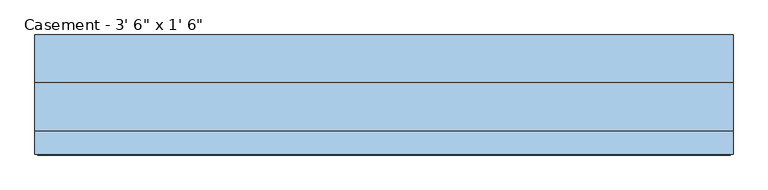
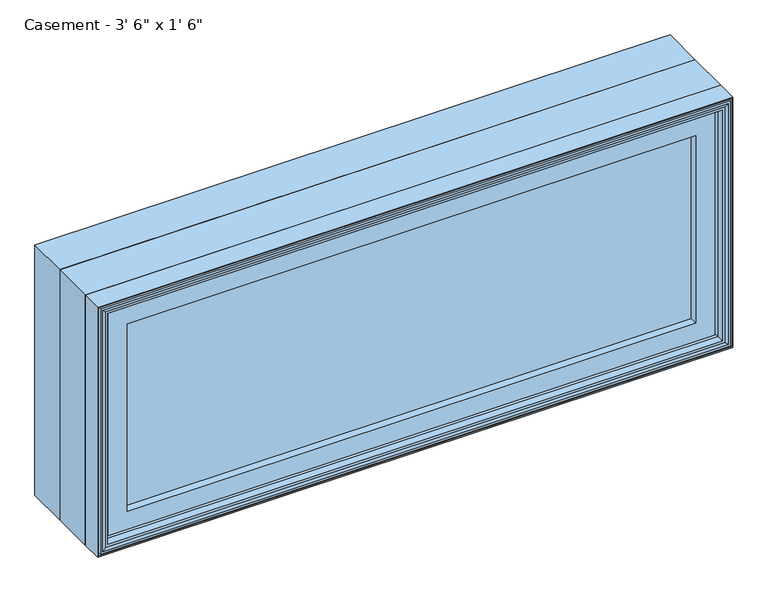
"""IFC4 building model written with IfcOpenShell, lengths in millimetres: window geometry."""

from ifc_helpers import new_model, si_unit, frame, origin, place, context, project, spatial, polyline, outline, extrude, faceted_brep, source, transform, mapped, element, save


def window_d5ca123c(model_context):
    return source(origin(), model_context, "Body", "SolidModel", [
        extrude(outline(polyline([(557.609375, -74.0770729), (557.609375, -91.5395729), (-557.5849783, -91.5395729), (-557.5849783, -74.0770729), (557.609375, -74.0770729)])), frame((0.0, 0.0, 971.5119), z_axis=(0.0, 0.0, 1.0), x_axis=(1.0, 0.0, 0.0)), (0.0, 0.0, 1.0), 393.7762),
        extrude(outline(polyline([(1422.4, -609.6), (914.4, -609.6), (914.4, 609.6), (1422.4, 609.6), (1422.4, -609.6)]), holes=[polyline([(930.275, -593.725), (1406.525, -593.725), (1406.525, 593.725), (930.275, 593.725), (930.275, -593.725)])]), frame((0.0, 6.1515625, 0.0), z_axis=(0.0, 1.0, 0.0), x_axis=(0.0, 0.0, 1.0)), (0.0, 0.0, 1.0), 82.7484375),
        faceted_brep([(-557.5849783, -74.0770729, 966.4150217), (-557.5849783, -74.0770729, 1370.3849783), (-557.5849783, -91.5395729, 1370.3849783), (-557.5849783, -91.5395729, 966.4150217), (-545.9015625, -72.8793953, 978.0984375), (-545.9015625, -72.8793953, 1358.7015625), (-545.9015625, -74.0770729, 1358.7015625), (-545.9015625, -74.0770729, 978.0984375), (-548.6498111, -59.9499024, 975.3501889), (-548.6498111, -59.9499024, 1361.4498111), (-576.6341084, -91.5395729, 947.3658916), (-576.6341084, -91.5395729, 1389.4341084), (-576.6341084, -59.9499024, 1389.4341084), (-576.6341084, -59.9499024, 947.3658916), (557.5849783, -74.0770729, 1370.3849783), (557.5849783, -91.5395729, 1370.3849783), (545.9015625, -72.8793953, 1358.7015625), (545.9015625, -74.0770729, 1358.7015625), (548.6498111, -59.9499024, 1361.4498111), (576.6341084, -91.5395729, 1389.4341084), (576.6341084, -59.9499024, 1389.4341084), (557.5849783, -74.0770729, 966.4150217), (557.5849783, -91.5395729, 966.4150217), (545.9015625, -72.8793953, 978.0984375), (545.9015625, -74.0770729, 978.0984375), (548.6498111, -59.9499024, 975.3501889), (576.6341084, -91.5395729, 947.3658916), (576.6341084, -59.9499024, 947.3658916)], [[[0, 1, 2, 3]], [[4, 5, 6, 7]], [[8, 9, 5, 4]], [[10, 11, 12, 13]], [[1, 14, 15, 2]], [[5, 16, 17, 6]], [[9, 18, 16, 5]], [[11, 19, 20, 12]], [[14, 21, 22, 15]], [[16, 23, 24, 17]], [[18, 25, 23, 16]], [[19, 26, 27, 20]], [[11, 10, 26, 19], [3, 2, 15, 22]], [[21, 0, 3, 22]], [[1, 0, 21, 14], [7, 6, 17, 24]], [[23, 4, 7, 24]], [[25, 8, 4, 23]], [[13, 12, 20, 27], [9, 8, 25, 18]], [[26, 10, 13, 27]]]),
        extrude(outline(polyline([(1395.5033048, -582.7033048), (941.2966952, -582.7033048), (941.2966952, 582.7033048), (1395.5033048, 582.7033048), (1395.5033048, -582.7033048)]), holes=[polyline([(978.0984375, -545.9015625), (1358.7015625, -545.9015625), (1358.7015625, 545.9015625), (978.0984375, 545.9015625), (978.0984375, -545.9015625)])]), frame((0.0, -106.9883505, 0.0), z_axis=(0.0, 1.0, 0.0), x_axis=(0.0, 0.0, 1.0)), (0.0, 0.0, 1.0), 15.4487776),
        faceted_brep([(-595.0220166, -119.2736375, 928.9779834), (-595.0220166, -119.2736375, 1407.8220166), (-600.355345, -120.8484375, 1413.155345), (-600.355345, -120.8484375, 923.644655), (-590.1526868, -104.4927591, 933.8473132), (-590.1526868, -104.4927591, 1402.9526868), (-590.1526868, -119.2736375, 1402.9526868), (-590.1526868, -119.2736375, 933.8473132), (-588.9244, -90.3195591, 935.0756), (-588.9244, -90.3195591, 1401.7244), (-588.9244, -79.171779, 935.0756), (-588.9244, -79.171779, 1401.7244), (-609.6, -119.6932773, 914.4), (-609.6, -119.6932773, 1422.4), (-609.6, -79.171779, 1422.4), (-609.6, -79.171779, 914.4), (-607.314, -111.1241649, 916.686), (-607.314, -111.1241649, 1420.114), (-607.314, -119.6932773, 1420.114), (-607.314, -119.6932773, 916.686), (-604.5962, -120.8484375, 919.4038), (-604.5962, -120.8484375, 1417.3962), (-604.5962, -111.1241649, 1417.3962), (-604.5962, -111.1241649, 919.4038), (595.0220166, -119.2736375, 1407.8220166), (600.355345, -120.8484375, 1413.155345), (590.1526868, -104.4927591, 1402.9526868), (590.1526868, -119.2736375, 1402.9526868), (588.9244, -90.3195591, 1401.7244), (588.9244, -79.171779, 1401.7244), (609.6, -119.6932773, 1422.4), (609.6, -79.171779, 1422.4), (607.314, -111.1241649, 1420.114), (607.314, -119.6932773, 1420.114), (604.5962, -120.8484375, 1417.3962), (604.5962, -111.1241649, 1417.3962), (595.0220166, -119.2736375, 928.9779834), (600.355345, -120.8484375, 923.644655), (590.1526868, -104.4927591, 933.8473132), (590.1526868, -119.2736375, 933.8473132), (588.9244, -90.3195591, 935.0756), (588.9244, -79.171779, 935.0756), (609.6, -119.6932773, 914.4), (609.6, -79.171779, 914.4), (607.314, -111.1241649, 916.686), (607.314, -119.6932773, 916.686), (604.5962, -120.8484375, 919.4038), (604.5962, -111.1241649, 919.4038)], [[[0, 1, 2, 3]], [[4, 5, 6, 7]], [[8, 9, 5, 4]], [[10, 11, 9, 8]], [[12, 13, 14, 15]], [[16, 17, 18, 19]], [[20, 21, 22, 23]], [[1, 24, 25, 2]], [[5, 26, 27, 6]], [[9, 28, 26, 5]], [[11, 29, 28, 9]], [[13, 30, 31, 14]], [[17, 32, 33, 18]], [[21, 34, 35, 22]], [[24, 36, 37, 25]], [[26, 38, 39, 27]], [[28, 40, 38, 26]], [[29, 41, 40, 28]], [[30, 42, 43, 31]], [[32, 44, 45, 33]], [[34, 46, 47, 35]], [[36, 0, 3, 37]], [[1, 0, 36, 24], [7, 6, 27, 39]], [[38, 4, 7, 39]], [[40, 8, 4, 38]], [[41, 10, 8, 40]], [[15, 14, 31, 43], [11, 10, 41, 29]], [[42, 12, 15, 43]], [[13, 12, 42, 30], [19, 18, 33, 45]], [[44, 16, 19, 45]], [[17, 16, 44, 32], [23, 22, 35, 47]], [[46, 20, 23, 47]], [[21, 20, 46, 34], [3, 2, 25, 37]]]),
        faceted_brep([(-609.6, -79.171779, 914.4), (-609.6, -79.171779, 1422.4), (-609.6, 6.1515625, 1422.4), (-609.6, 6.1515625, 914.4), (-589.9404, -66.7563278, 934.0596), (-589.9404, -66.7563278, 1402.7404), (-589.9404, -79.171779, 1402.7404), (-589.9404, -79.171779, 934.0596), (-583.4634, -59.7093984, 940.5366), (-583.4634, -59.7093984, 1396.2634), (-583.4634, -66.7563278, 1396.2634), (-583.4634, -66.7563278, 940.5366), (-561.975, -39.9279649, 962.025), (-561.975, -39.9279649, 1374.775), (-561.975, -59.7093984, 1374.775), (-561.975, -59.7093984, 962.025), (-565.9374, -10.9227338, 958.0626), (-565.9374, -10.9227338, 1378.7374), (-565.9374, -39.9279649, 1378.7374), (-565.9374, -39.9279649, 958.0626), (609.6, -79.171779, 1422.4), (609.6, 6.1515625, 1422.4), (589.9404, -66.7563278, 1402.7404), (589.9404, -79.171779, 1402.7404), (583.4634, -59.7093984, 1396.2634), (583.4634, -66.7563278, 1396.2634), (561.975, -39.9279649, 1374.775), (561.975, -59.7093984, 1374.775), (565.9374, -10.9227338, 1378.7374), (565.9374, -39.9279649, 1378.7374), (609.6, -79.171779, 914.4), (609.6, 6.1515625, 914.4), (589.9404, -66.7563278, 934.0596), (589.9404, -79.171779, 934.0596), (583.4634, -59.7093984, 940.5366), (583.4634, -66.7563278, 940.5366), (561.975, -39.9279649, 962.025), (561.975, -59.7093984, 962.025), (565.9374, -10.9227338, 958.0626), (565.9374, -39.9279649, 958.0626), (-587.3761112, 6.1515625, 1400.1761112), (-587.3761112, 6.1515625, 936.6238888), (587.3761112, 6.1515625, 936.6238888), (587.3761112, 6.1515625, 1400.1761112), (-587.3761112, -10.9227338, 936.6238888), (-587.3761112, -10.9227338, 1400.1761112), (587.3761112, -10.9227338, 1400.1761112), (587.3761112, -10.9227338, 936.6238888)], [[[0, 1, 2, 3]], [[4, 5, 6, 7]], [[8, 9, 10, 11]], [[12, 13, 14, 15]], [[16, 17, 18, 19]], [[1, 20, 21, 2]], [[5, 22, 23, 6]], [[9, 24, 25, 10]], [[13, 26, 27, 14]], [[17, 28, 29, 18]], [[20, 30, 31, 21]], [[22, 32, 33, 23]], [[24, 34, 35, 25]], [[26, 36, 37, 27]], [[28, 38, 39, 29]], [[3, 2, 21, 31], [40, 41, 42, 43]], [[30, 0, 3, 31]], [[1, 0, 30, 20], [7, 6, 23, 33]], [[32, 4, 7, 33]], [[5, 4, 32, 22], [11, 10, 25, 35]], [[34, 8, 11, 35]], [[9, 8, 34, 24], [15, 14, 27, 37]], [[36, 12, 15, 37]], [[19, 18, 29, 39], [13, 12, 36, 26]], [[38, 16, 19, 39]], [[44, 45, 46, 47], [17, 16, 38, 28]], [[41, 40, 45, 44]], [[40, 43, 46, 45]], [[43, 42, 47, 46]], [[42, 41, 44, 47]]]),
    ])


if __name__ == "__main__":
    model = new_model("IFC4")
    model_context = context("Model", 3, world=origin())
    ifc_project = project(units=[si_unit("LENGTHUNIT", "METRE", prefix="MILLI")], contexts=[model_context])
    site = spatial("IfcSite", under=ifc_project)
    building = spatial("IfcBuilding", under=site)
    placement = place(None, origin())
    window_shape = window_d5ca123c(model_context)
    element("IfcWindow", 1, ObjectType="Casement - 3' 6\" x 1' 6\"", at=placement, inside=building, context=model_context, shape_type="MappedRepresentation", body=[
        mapped(window_shape, transform((0.0, 0.0, 0.0), x_axis=(1.0, 0.0, 0.0), y_axis=(0.0, 1.0, 0.0), z_axis=(0.0, 0.0, 1.0))),
    ])
    save(model, "model.ifc")
